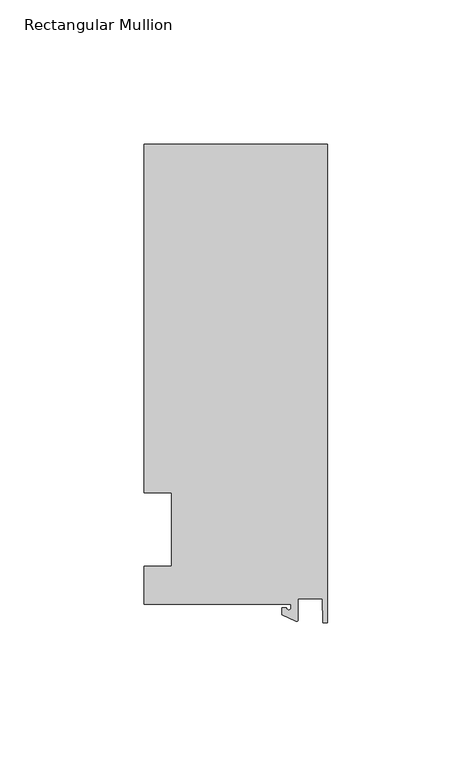
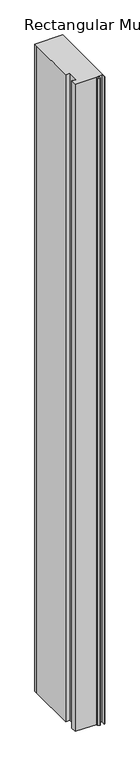
"""IFC4 building model written with IfcOpenShell, lengths in millimetres: member geometry, Rectangular Mullion."""

from ifc_helpers import new_model, si_unit, point, frame, frame_2d, origin, place, context, project, spatial, polyline, circle_curve, trimmed, segment, composite_curve, outline, extrude, source, transform, mapped, element, save


def rectangular_mullion_19f1cc82(model_context):
    return source(origin(), model_context, "Body", "SweptSolid", [
        extrude(outline(composite_curve([segment(polyline([(-12.6173814, -25.796875), (-63.5, -25.796875), (-63.5, -12.7), (-53.975, -12.7), (-53.975, 12.7), (-63.5, 12.7), (-63.5, 125.8114907), (-63.5, 133.34365), (0.0, 133.34365), (0.0, -32.288874), (-1.5658966, -32.288874), (-1.7144124, -23.9227662), (-10.2297814, -23.9227662), (-10.2297814, -31.2414327)]), True, "CONTINUOUS"), segment(trimmed(circle_curve(frame_2d((-10.7377814, -31.2414327)), 0.508), [point((-10.2297814, -31.2414327))], [point((-10.9524715, -31.7018371))], False, "CARTESIAN"), True, "CONTINUOUS"), segment(polyline([(-10.9524715, -31.7018371), (-15.7923814, -29.44495), (-15.7923814, -27.0827507), (-14.2048814, -27.0827507)]), True, "CONTINUOUS"), segment(trimmed(circle_curve(frame_2d((-13.4111314, -27.0827507)), 0.79375), [point((-14.2048814, -27.0827507))], [point((-12.6173814, -27.0827507))], True, "CARTESIAN"), True, "CONTINUOUS"), segment(polyline([(-12.6173814, -27.0827507), (-12.6173814, -25.796875)]), True, "CONTINUOUS")], self_intersect=False)), frame((0.0, 0.0, -1555.75), z_axis=(0.0, 0.0, 1.0), x_axis=(1.0, 0.0, 0.0)), (0.0, 0.0, 1.0), 1555.75),
    ])


if __name__ == "__main__":
    model = new_model("IFC4")
    model_context = context("Model", 3, world=origin())
    ifc_project = project(units=[si_unit("LENGTHUNIT", "METRE", prefix="MILLI")], contexts=[model_context])
    site = spatial("IfcSite", under=ifc_project)
    building = spatial("IfcBuilding", under=site)
    placement = place(None, origin())
    rectangular_mullion_shape = rectangular_mullion_19f1cc82(model_context)
    element("IfcMember", 1, ObjectType="Rectangular Mullion", at=placement, inside=building, context=model_context, shape_type="MappedRepresentation", body=[
        mapped(rectangular_mullion_shape, transform((0.0, 0.0, 0.0), x_axis=(1.0, 0.0, 0.0), y_axis=(0.0, 1.0, 0.0), z_axis=(0.0, 0.0, 1.0))),
    ])
    save(model, "model.ifc")
